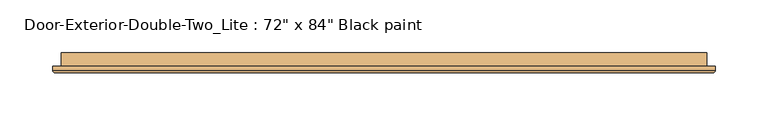
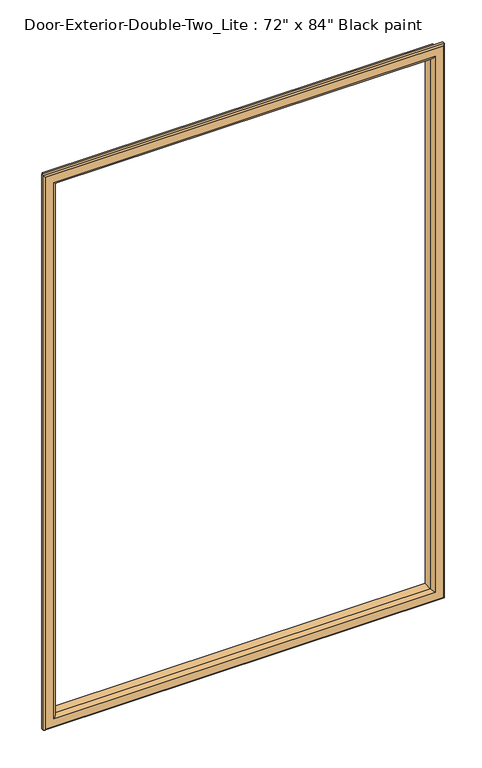
"""IFC4 building model written with IfcOpenShell, lengths in millimetres: door geometry."""

from ifc_helpers import new_model, si_unit, frame, origin, place, context, project, spatial, ellipse_curve, source, transform, mapped, element, save
from ifc_brep_helpers import plane_surface, cylinder_surface, advanced_brep


def door_9a0b1058(model_context):
    return source(origin(), model_context, "Body", "AdvancedBrep", [
        advanced_brep(
        [(-762.0, 125.4125, 1117.6), (-762.0, 112.7125, 1117.6), (-762.0, 112.7125, 2016.125), (-762.0, 125.4125, 2016.125), (-750.0, 111.7125, 1129.6), (-750.0, 125.4125, 1129.6), (-750.0, 125.4125, 2004.125), (-750.0, 111.7125, 2004.125), (-755.0, 106.7125, 1124.6), (-755.0, 106.7125, 2009.125), (-770.0, 108.7125, 1109.6), (-768.0, 106.7125, 1111.6), (-768.0, 106.7125, 2022.125), (-770.0, 108.7125, 2024.125), (-770.0, 112.7125, 1109.6), (-770.0, 112.7125, 2024.125), (-152.4, 112.7125, 2016.125), (-152.4, 125.4125, 2016.125), (-164.4, 125.4125, 2004.125), (-164.4, 111.7125, 2004.125), (-159.4, 106.7125, 2009.125), (-146.4, 106.7125, 2022.125), (-144.4, 108.7125, 2024.125), (-144.4, 112.7125, 2024.125), (-152.4, 112.7125, 1117.6), (-152.4, 125.4125, 1117.6), (-164.4, 125.4125, 1129.6), (-164.4, 111.7125, 1129.6), (-159.4, 106.7125, 1124.6), (-146.4, 106.7125, 1111.6), (-144.4, 108.7125, 1109.6), (-144.4, 112.7125, 1109.6)],
        [
            (0, 1),
            (1, 2),
            (2, 3),
            (3, 0),
            (4, 5),
            (5, 6),
            (6, 7),
            (7, 4),
            (8, 4, ellipse_curve(frame((-755.0, 111.7125, 1124.6), z_axis=(-0.7071067811865475, 0.0, 0.7071067811865475), x_axis=(-0.7071067811865474, 0.0, -0.7071067811865476)), 7.0710678, 5.0)),
            (7, 9, ellipse_curve(frame((-755.0, 111.7125, 2009.125), z_axis=(-0.7071067811865475, 0.0, -0.7071067811865475), x_axis=(0.7071067811865474, 0.0, -0.7071067811865476)), 7.0710678, 5.0)),
            (9, 8),
            (10, 11, ellipse_curve(frame((-768.0, 108.7125, 1111.6), z_axis=(-0.7071067811865475, 0.0, 0.7071067811865475), x_axis=(-0.7071067811865474, 0.0, -0.7071067811865476)), 2.8284271, 2.0)),
            (11, 12),
            (12, 13, ellipse_curve(frame((-768.0, 108.7125, 2022.125), z_axis=(-0.7071067811865475, 0.0, -0.7071067811865475), x_axis=(0.7071067811865474, 0.0, -0.7071067811865476)), 2.8284271, 2.0)),
            (13, 10),
            (14, 10),
            (13, 15),
            (15, 14),
            (2, 16),
            (16, 17),
            (17, 3),
            (6, 18),
            (18, 19),
            (19, 7),
            (19, 20, ellipse_curve(frame((-159.4, 111.7125, 2009.125), z_axis=(-0.7071067811865475, 0.0, 0.7071067811865475), x_axis=(-0.7071067811865476, 0.0, -0.7071067811865474)), 7.0710678, 5.0)),
            (20, 9),
            (12, 21),
            (21, 22, ellipse_curve(frame((-146.4, 108.7125, 2022.125), z_axis=(-0.7071067811865475, 0.0, 0.7071067811865475), x_axis=(-0.7071067811865476, 0.0, -0.7071067811865474)), 2.8284271, 2.0)),
            (22, 13),
            (22, 23),
            (23, 15),
            (16, 24),
            (24, 25),
            (25, 17),
            (18, 26),
            (26, 27),
            (27, 19),
            (27, 28, ellipse_curve(frame((-159.4, 111.7125, 1124.6), z_axis=(0.7071067811865475, 0.0, 0.7071067811865475), x_axis=(-0.7071067811865474, 0.0, 0.7071067811865476)), 7.0710678, 5.0)),
            (28, 20),
            (21, 29),
            (29, 30, ellipse_curve(frame((-146.4, 108.7125, 1111.6), z_axis=(0.7071067811865475, 0.0, 0.7071067811865475), x_axis=(-0.7071067811865474, 0.0, 0.7071067811865476)), 2.8284271, 2.0)),
            (30, 22),
            (30, 31),
            (31, 23),
            (31, 14),
            (1, 24),
            (0, 25),
            (5, 26),
            (4, 27),
            (8, 28),
            (11, 29),
            (10, 30),
        ],
        [
            plane_surface(frame((-762.0, 112.7125, 1117.6), z_axis=(-1.0, 0.0, 0.0), x_axis=(0.0, 0.0, 1.0))),
            plane_surface(frame((-750.0, 125.4125, 1129.6), z_axis=(1.0, 0.0, 0.0), x_axis=(0.0, 0.0, 1.0))),
            cylinder_surface(frame((-755.0, 111.7125, 1117.6), z_axis=(0.0, 0.0, -1.0), x_axis=(-1.0, 0.0, 0.0)), 5.0),
            cylinder_surface(frame((-768.0, 108.7125, 1117.6), z_axis=(0.0, 0.0, -1.0), x_axis=(-1.0, 0.0, 0.0)), 2.0),
            plane_surface(frame((-770.0, 108.7125, 1109.6), z_axis=(-1.0, 0.0, 0.0), x_axis=(0.0, 0.0, 1.0))),
            plane_surface(frame((-762.0, 112.7125, 2016.125), z_axis=(0.0, 0.0, 1.0), x_axis=(1.0, 0.0, 0.0))),
            plane_surface(frame((-750.0, 125.4125, 2004.125), z_axis=(0.0, 0.0, -1.0), x_axis=(1.0, 0.0, 0.0))),
            cylinder_surface(frame((-762.0, 111.7125, 2009.125), z_axis=(-1.0, 0.0, 0.0), x_axis=(0.0, 0.0, 1.0)), 5.0),
            cylinder_surface(frame((-762.0, 108.7125, 2022.125), z_axis=(-1.0, 0.0, 0.0), x_axis=(0.0, 0.0, 1.0)), 2.0),
            plane_surface(frame((-770.0, 108.7125, 2024.125), z_axis=(0.0, 0.0, 1.0), x_axis=(1.0, 0.0, 0.0))),
            plane_surface(frame((-152.4, 112.7125, 2016.125), z_axis=(1.0, 0.0, 0.0), x_axis=(0.0, 0.0, -1.0))),
            plane_surface(frame((-164.4, 125.4125, 2004.125), z_axis=(-1.0, 0.0, 0.0), x_axis=(0.0, 0.0, -1.0))),
            cylinder_surface(frame((-159.4, 111.7125, 2016.125), z_axis=(0.0, 0.0, 1.0), x_axis=(1.0, 0.0, 0.0)), 5.0),
            cylinder_surface(frame((-146.4, 108.7125, 2016.125), z_axis=(0.0, 0.0, 1.0), x_axis=(1.0, 0.0, 0.0)), 2.0),
            plane_surface(frame((-144.4, 108.7125, 2024.125), z_axis=(1.0, 0.0, 0.0), x_axis=(0.0, 0.0, -1.0))),
            plane_surface(frame((-144.4, 112.7125, 1109.6), z_axis=(0.0, 1.0, 0.0), x_axis=(-1.0, 0.0, 0.0))),
            plane_surface(frame((-152.4, 112.7125, 1117.6), z_axis=(0.0, 0.0, -1.0), x_axis=(-1.0, 0.0, 0.0))),
            plane_surface(frame((-152.4, 125.4125, 1117.6), z_axis=(0.0, 1.0, 0.0), x_axis=(-1.0, 0.0, 0.0))),
            plane_surface(frame((-164.4, 125.4125, 1129.6), z_axis=(0.0, 0.0, 1.0), x_axis=(-1.0, 0.0, 0.0))),
            cylinder_surface(frame((-152.4, 111.7125, 1124.6), z_axis=(1.0, 0.0, 0.0), x_axis=(0.0, 0.0, -1.0)), 5.0),
            plane_surface(frame((-159.4, 106.7125, 1124.6), z_axis=(0.0, -1.0, 0.0), x_axis=(-1.0, 0.0, 0.0))),
            cylinder_surface(frame((-152.4, 108.7125, 1111.6), z_axis=(1.0, 0.0, 0.0), x_axis=(0.0, 0.0, -1.0)), 2.0),
            plane_surface(frame((-144.4, 108.7125, 1109.6), z_axis=(0.0, 0.0, -1.0), x_axis=(-1.0, 0.0, 0.0))),
        ],
        [
            (0, [[1, 2, 3, 4]]),
            (1, [[5, 6, 7, 8]]),
            (2, [[9, -8, 10, 11]]),
            (3, [[12, 13, 14, 15]]),
            (4, [[16, -15, 17, 18]]),
            (5, [[-3, 19, 20, 21]]),
            (6, [[-7, 22, 23, 24]]),
            (7, [[-10, -24, 25, 26]]),
            (8, [[-14, 27, 28, 29]]),
            (9, [[-17, -29, 30, 31]]),
            (10, [[-20, 32, 33, 34]]),
            (11, [[-23, 35, 36, 37]]),
            (12, [[-25, -37, 38, 39]]),
            (13, [[-28, 40, 41, 42]]),
            (14, [[-30, -42, 43, 44]]),
            (15, [[-31, -44, 45, -18], [46, -32, -19, -2]]),
            (16, [[-33, -46, -1, 47]]),
            (17, [[-21, -34, -47, -4], [48, -35, -22, -6]]),
            (18, [[-36, -48, -5, 49]]),
            (19, [[-38, -49, -9, 50]]),
            (20, [[51, -40, -27, -13], [-26, -39, -50, -11]]),
            (21, [[-41, -51, -12, 52]]),
            (22, [[-43, -52, -16, -45]]),
        ],
    ),
    ])


if __name__ == "__main__":
    model = new_model("IFC4")
    model_context = context("Model", 3, world=origin())
    ifc_project = project(units=[si_unit("LENGTHUNIT", "METRE", prefix="MILLI")], contexts=[model_context])
    site = spatial("IfcSite", under=ifc_project)
    building = spatial("IfcBuilding", under=site)
    placement = place(None, origin())
    door_shape = door_9a0b1058(model_context)
    element("IfcDoor", 1, ObjectType="Door-Exterior-Double-Two_Lite : 72\" x 84\" Black paint", at=placement, inside=building, context=model_context, shape_type="MappedRepresentation", body=[
        mapped(door_shape, transform((0.0, 0.0, 0.0), x_axis=(1.0, 0.0, 0.0), y_axis=(0.0, 1.0, 0.0), z_axis=(0.0, 0.0, 1.0))),
    ])
    save(model, "model.ifc")
